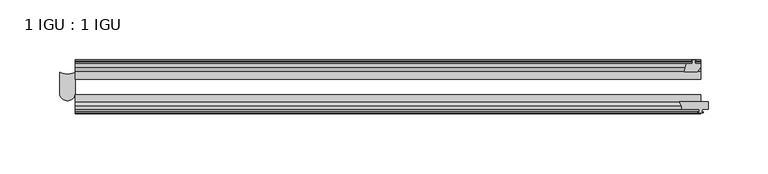
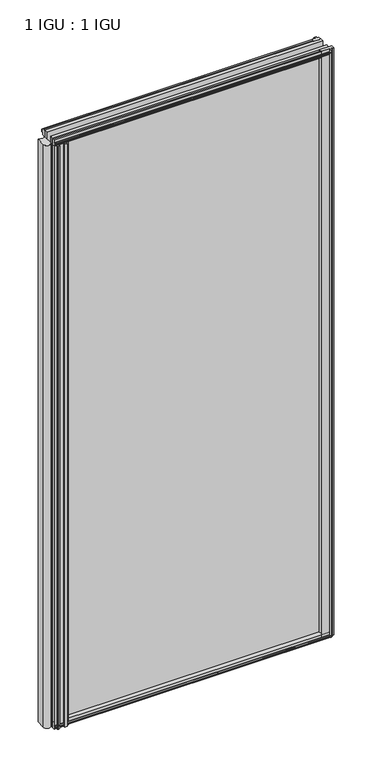
"""IFC4 building model written with IfcOpenShell, lengths in millimetres: plate geometry, 1 IGU : 1 IGU."""

import ifcopenshell
import ifcopenshell.guid

model = None  # the IFC model being written
_history = None  # IfcOwnerHistory: only IFC2X3 demands one
_inside = {}  # id of a spatial element -> (the spatial element, [elements in it])
_under = {}  # id of a project, library or spatial element -> (it, [spatial elements below it])
_declared = {}  # id of a project -> (the project, [libraries it declares])
_typed = {}  # id of a type object -> (the type object, [elements of that type])
_made_of = {}  # id of a material, layer set ... -> (it, [elements and type objects made of it])


def new_model(schema):
    """Start an empty IFC model of exactly this schema.

    Asked for "IFC4X3", IfcOpenShell would pick the latest addendum, in which some entities
    have other attributes; the version numbers below select the first issue.
    IFC2X3 requires an IfcOwnerHistory on every rooted entity: one is made here for all.
    """
    global model, _history
    if schema == "IFC4X3":
        model = ifcopenshell.file(schema_version=(4, 3, 0, 0))
    else:
        model = ifcopenshell.file(schema=schema)
    _inside.clear()
    _under.clear()
    _declared.clear()
    _typed.clear()
    _made_of.clear()
    _history = None
    if model.schema == "IFC2X3":
        org = make("IfcOrganization", Name="unknown")
        user = make(
            "IfcPersonAndOrganization",
            ThePerson=make("IfcPerson", FamilyName="unknown"),
            TheOrganization=org,
        )
        app = make(
            "IfcApplication",
            ApplicationDeveloper=org,
            Version="unknown",
            ApplicationFullName="unknown",
            ApplicationIdentifier="unknown",
        )
        _history = make(
            "IfcOwnerHistory",
            OwningUser=user,
            OwningApplication=app,
            ChangeAction="ADDED",
            CreationDate=0,
        )
    return model


def make(cls, **values):
    """One entity of the class cls with the attributes given. An attribute that is None is left unset."""
    return model.create_entity(
        cls, **{name: value for name, value in values.items() if value is not None}
    )


def rooted(cls, **values):
    """An entity with a GlobalId (a new one), such as an element, a storey or a relation."""
    return make(cls, GlobalId=ifcopenshell.guid.new(), OwnerHistory=_history, **values)


def si_unit(unit_type, name, prefix=None):
    """IfcSIUnit, for example si_unit("LENGTHUNIT", "METRE", prefix="MILLI")."""
    return make("IfcSIUnit", UnitType=unit_type, Prefix=prefix, Name=name)


def assignment(units):
    """IfcUnitAssignment: the units of a project."""
    return None if units is None else make("IfcUnitAssignment", Units=units)


def point(xyz):
    """IfcCartesianPoint."""
    return None if xyz is None else make("IfcCartesianPoint", Coordinates=xyz)


def direction(xyz):
    """IfcDirection."""
    return None if xyz is None else make("IfcDirection", DirectionRatios=xyz)


def frame(location, z_axis=None, x_axis=None):
    """IfcAxis2Placement3D, a coordinate frame: its origin and axes. An axis left out is left unset."""
    return make(
        "IfcAxis2Placement3D",
        Location=point(location),
        Axis=direction(z_axis),
        RefDirection=direction(x_axis),
    )


def frame_2d(location, x_axis=None):
    """IfcAxis2Placement2D, a coordinate frame in the plane: its origin and x axis."""
    return make(
        "IfcAxis2Placement2D", Location=point(location), RefDirection=direction(x_axis)
    )


def origin():
    """The frame at (0, 0, 0) with its axes left unset."""
    return frame((0.0, 0.0, 0.0))


def place(relative_to, where):
    """IfcLocalPlacement: puts the frame where relative to a parent placement (None: the world)."""
    return make(
        "IfcLocalPlacement", PlacementRelTo=relative_to, RelativePlacement=where
    )


def context(
    kind, dimensions, precision=None, world=None, true_north=None, identifier=None
):
    """IfcGeometricRepresentationContext, for example the 3D "Model" context."""
    return make(
        "IfcGeometricRepresentationContext",
        ContextIdentifier=identifier,
        ContextType=kind,
        CoordinateSpaceDimension=dimensions,
        Precision=precision,
        WorldCoordinateSystem=world,
        TrueNorth=true_north,
    )


def project(units=None, contexts=None):
    """IfcProject with its units and contexts."""
    return rooted(
        "IfcProject",
        Name="project",
        RepresentationContexts=contexts,
        UnitsInContext=assignment(units),
    )


def spatial(cls, under=None, at=None, **own):
    """A site, building, storey or space (cls), placed at a placement, below another one or the project."""
    s = rooted(cls, ObjectPlacement=at, **own)
    if under is not None:
        _under.setdefault(under.id(), (under, []))[1].append(s)
    return s


def polyline(points):
    """IfcPolyline through the points."""
    return make("IfcPolyline", Points=[point(p) for p in points])


def circle_curve(where, radius):
    """IfcCircle in the frame where."""
    return make("IfcCircle", Position=where, Radius=radius)


def trimmed(basis, trim1, trim2, sense, master):
    """IfcTrimmedCurve: the piece of a basis curve between two trims."""
    return make(
        "IfcTrimmedCurve",
        BasisCurve=basis,
        Trim1=trim1,
        Trim2=trim2,
        SenseAgreement=sense,
        MasterRepresentation=master,
    )


def segment(curve, same_sense, transition):
    """IfcCompositeCurveSegment."""
    return make(
        "IfcCompositeCurveSegment",
        Transition=transition,
        SameSense=same_sense,
        ParentCurve=curve,
    )


def composite_curve(segments, self_intersect=None):
    """IfcCompositeCurve: segments joined end to end."""
    return make("IfcCompositeCurve", Segments=segments, SelfIntersect=self_intersect)


def outline(outer, holes=None, kind="AREA"):
    """IfcArbitraryClosedProfileDef: a profile drawn as a closed curve; with holes, ...WithVoids."""
    if holes is None:
        return make("IfcArbitraryClosedProfileDef", ProfileType=kind, OuterCurve=outer)
    return make(
        "IfcArbitraryProfileDefWithVoids",
        ProfileType=kind,
        OuterCurve=outer,
        InnerCurves=holes,
    )


def extrude(swept, where, along, depth):
    """IfcExtrudedAreaSolid: the profile swept, set in the frame where, extruded along a direction by depth."""
    return make(
        "IfcExtrudedAreaSolid",
        SweptArea=swept,
        Position=where,
        ExtrudedDirection=direction(along),
        Depth=depth,
    )


def shape(context_of_items, identifier, shape_type, items):
    """IfcShapeRepresentation: the items that make up one representation, for example the "Body"."""
    return make(
        "IfcShapeRepresentation",
        ContextOfItems=context_of_items,
        RepresentationIdentifier=identifier,
        RepresentationType=shape_type,
        Items=items,
    )


def source(mapping_origin, context_of_items, identifier, shape_type, items):
    """IfcRepresentationMap: a shape defined once, which mapped items show again and again."""
    return make(
        "IfcRepresentationMap",
        MappingOrigin=mapping_origin,
        MappedRepresentation=shape(context_of_items, identifier, shape_type, items),
    )


def transform(
    local_origin,
    x_axis=None,
    y_axis=None,
    z_axis=None,
    scale=None,
    scale2=None,
    scale3=None,
    uniform=True,
):
    """IfcCartesianTransformationOperator3D, or its non-uniform kind. x_axis, y_axis, z_axis: its Axis1, 2, 3."""
    if uniform:
        return make(
            "IfcCartesianTransformationOperator3D",
            Axis1=direction(x_axis),
            Axis2=direction(y_axis),
            LocalOrigin=point(local_origin),
            Scale=scale,
            Axis3=direction(z_axis),
        )
    return make(
        "IfcCartesianTransformationOperator3DnonUniform",
        Axis1=direction(x_axis),
        Axis2=direction(y_axis),
        LocalOrigin=point(local_origin),
        Scale=scale,
        Axis3=direction(z_axis),
        Scale2=scale2,
        Scale3=scale3,
    )


def mapped(mapping_source, mapping_target):
    """IfcMappedItem: shows the shape of a source again, moved by a transform."""
    return make(
        "IfcMappedItem", MappingSource=mapping_source, MappingTarget=mapping_target
    )


def made_of(thing, what):
    """Note that an element or type object is made of a material, layer set ...; save() writes the relation."""
    if what is not None:
        _made_of.setdefault(what.id(), (what, []))[1].append(thing)
    return thing


def element(
    cls,
    number,
    at=None,
    inside=None,
    cuts=None,
    type_object=None,
    material=None,
    context=None,
    identifier="Body",
    shape_type=None,
    held_by="IfcProductDefinitionShape",
    body=None,
    shapes=None,
    **own,
):
    """One element of the class cls, such as IfcWall. Its Tag is "e" and its number.

    at: its placement. inside: the storey or other place that contains it. cuts: it is an
    opening in that element (IfcRelVoidsElement). A single representation is given by context,
    identifier, shape_type and body (its items); several are given by shapes. held_by: the class
    of the entity that holds the representations. save() writes the other relations.
    """
    e = rooted(cls, Tag="e%d" % number, ObjectPlacement=at, **own)
    if body is not None:
        shapes = [shape(context, identifier, shape_type, body)]
    if shapes is not None:
        e.Representation = make(held_by, Representations=shapes)
    if inside is not None:
        _inside.setdefault(inside.id(), (inside, []))[1].append(e)
    if cuts is not None:
        rooted(
            "IfcRelVoidsElement", RelatingBuildingElement=cuts, RelatedOpeningElement=e
        )
    if type_object is not None:
        _typed.setdefault(type_object.id(), (type_object, []))[1].append(e)
    return made_of(e, material)


def aggregate(whole, parts):
    """IfcRelAggregates: a whole, such as a stair, and the parts it consists of."""
    return rooted("IfcRelAggregates", RelatingObject=whole, RelatedObjects=parts)


def save(model, path):
    """Write the relations noted so far, then the file.

    IfcRelAggregates (storeys below a building ...), IfcRelContainedInSpatialStructure (elements
    in a storey), IfcRelDefinesByType, IfcRelAssociatesMaterial and IfcRelDeclares: one each for
    every whole, place, type object, material and project.
    """
    for whole, parts in _under.values():
        aggregate(whole, parts)
    for where, things in _inside.values():
        rooted(
            "IfcRelContainedInSpatialStructure",
            RelatedElements=things,
            RelatingStructure=where,
        )
    for kind, things in _typed.values():
        rooted("IfcRelDefinesByType", RelatedObjects=things, RelatingType=kind)
    for what, things in _made_of.values():
        rooted("IfcRelAssociatesMaterial", RelatedObjects=things, RelatingMaterial=what)
    for by, libraries in _declared.values():
        rooted("IfcRelDeclares", RelatingContext=by, RelatedDefinitions=libraries)
    model.write(path)


def plate_1_igu_1_igu_3a8c8001(model_context):
    return source(origin(), model_context, "Body", "SweptSolid", [
        extrude(outline(polyline([(296.9757334, -10.4746158), (299.1532625, -9.7670938), (301.3307916, -10.4746158), (301.3307916, -11.27583), (299.9152625, -10.8158968), (300.2962625, -13.1960938), (304.7412625, -13.1960938), (304.7412625, -16.1424938), (301.9069203, -19.5460938), (291.0855444, -19.5460938), (292.8032625, -13.1960938), (298.0102625, -13.1960938), (298.3912625, -10.8158968), (296.9757334, -11.27583), (296.9757334, -10.4746158)])), frame((0.0, 0.0, -12.4587), z_axis=(0.0, 0.0, 1.0), x_axis=(1.0, 0.0, 0.0)), (0.0, 0.0, 1.0), 1180.6174),
        extrude(outline(composite_curve([segment(polyline([(287.0458808, -44.9460938), (311.134125, -44.9460938), (311.134125, -51.2960938), (306.054125, -51.2960938), (305.736625, -53.4006957), (306.9552309, -53.0741712), (307.159025, -53.8347412), (304.784125, -54.4710938), (302.409225, -53.8347412), (302.6130191, -53.0741712), (303.831625, -53.4006957), (303.514125, -51.2960938), (288.909125, -51.2960938)]), True, "CONTINUOUS"), segment(trimmed(circle_curve(frame_2d((280.1334971, -50.4227155)), 8.8189814), [point((288.909125, -51.2960938))], [point((287.0458808, -44.9460938))], True, "CARTESIAN"), True, "CONTINUOUS")], self_intersect=False)), frame((0.0, 0.0, -9.0482291), z_axis=(0.0, 0.0, 1.0), x_axis=(1.0, 0.0, 0.0)), (0.0, 0.0, 1.0), 1177.2069291),
        extrude(outline(composite_curve([segment(trimmed(circle_curve(frame_2d((-224.4718282, -9.6643371)), 12.1582346), [point((-230.8319058, -20.0263871))], [point((-218.1117506, -20.0263871))], True, "CARTESIAN"), True, "CONTINUOUS"), segment(polyline([(-218.1117506, -20.0263871), (-218.1117506, -37.7227655)]), True, "CONTINUOUS"), segment(trimmed(circle_curve(frame_2d((-224.4718282, -37.7227655)), 6.3600776), [point((-218.1117506, -37.7227655))], [point((-230.8319058, -37.7227655))], False, "CARTESIAN"), True, "CONTINUOUS"), segment(polyline([(-230.8319058, -37.7227655), (-230.8319058, -20.0263871)]), True, "CONTINUOUS")], self_intersect=False)), frame((0.0, 0.0, -12.4587), z_axis=(0.0, 0.0, 1.0), x_axis=(1.0, 0.0, 0.0)), (0.0, 0.0, 1.0), 1167.9174),
        extrude(outline(composite_curve([segment(polyline([(-218.0617444, -51.2960938), (-218.0617444, -44.9460938), (-190.4467114, -44.9460938)]), True, "CONTINUOUS"), segment(trimmed(circle_curve(frame_2d((-185.2828423, -49.5178448)), 6.8968436), [point((-190.4467114, -44.9460938))], [point((-191.9464962, -51.2960938))], True, "CARTESIAN"), True, "CONTINUOUS"), segment(polyline([(-191.9464962, -51.2960938), (-195.8621444, -51.2960938)]), True, "CONTINUOUS"), segment(trimmed(circle_curve(frame_2d((-195.8621444, -51.7532937)), 0.4572), [point((-195.8621444, -51.2960938))], [point((-196.2009623, -52.0602698))], True, "CARTESIAN"), True, "CONTINUOUS"), segment(trimmed(circle_curve(frame_2d((-197.9703444, -53.663367)), 2.3876), [point((-196.2009623, -52.0602698))], [point((-195.8997014, -54.8520938))], False, "CARTESIAN"), True, "CONTINUOUS"), segment(polyline([(-195.8997014, -54.8520938), (-200.0409874, -54.8520938)]), True, "CONTINUOUS"), segment(trimmed(circle_curve(frame_2d((-197.9703444, -53.663367)), 2.3876), [point((-200.0409874, -54.8520938))], [point((-199.7397265, -52.0602698))], False, "CARTESIAN"), True, "CONTINUOUS"), segment(trimmed(circle_curve(frame_2d((-200.0785444, -51.7532937)), 0.4572), [point((-199.7397265, -52.0602698))], [point((-200.0785444, -51.2960938))], True, "CARTESIAN"), True, "CONTINUOUS"), segment(polyline([(-200.0785444, -51.2960938), (-210.4417444, -51.2960938), (-210.7592444, -53.4006957), (-209.5406385, -53.0741712), (-209.3368444, -53.8347412), (-211.7117444, -54.4710938), (-214.0866444, -53.8347412), (-213.8828503, -53.0741712), (-212.6642444, -53.4006957), (-212.9817444, -51.2960938), (-218.0617444, -51.2960938)]), True, "CONTINUOUS")], self_intersect=False)), frame((0.0, 0.0, -12.4587), z_axis=(0.0, 0.0, 1.0), x_axis=(1.0, 0.0, 0.0)), (0.0, 0.0, 1.0), 1167.9174),
        extrude(outline(polyline([(-10.4746158, -4.6931709), (-9.7670937, -6.8707), (-10.4746158, -9.0482291), (-11.27583, -9.0482291), (-10.8158968, -7.6327), (-13.1960937, -8.0137), (-13.1960937, -12.4587), (-16.1424937, -12.4587), (-19.5460937, -9.6243578), (-19.5460937, 1.1970181), (-13.1960937, -0.5207), (-13.1960937, -5.7277), (-10.8158968, -6.1087), (-11.27583, -4.6931709), (-10.4746158, -4.6931709)])), frame((-218.0669375, 0.0, 0.0), z_axis=(1.0, 0.0, 0.0), x_axis=(0.0, 1.0, 0.0)), (0.0, 0.0, 1.0), 522.8510625),
        extrude(outline(polyline([(-44.9460937, 1.7177181), (-44.9460937, -9.1036578), (-48.3496937, -11.938), (-51.2960937, -11.938), (-51.2960937, -7.493), (-53.6762907, -7.112), (-53.2163575, -8.5275291), (-54.0175717, -8.5275291), (-54.7250937, -6.35), (-54.0175717, -4.1724709), (-53.2163575, -4.1724709), (-53.6762907, -5.588), (-51.2960937, -5.207), (-51.2960937, 0.0), (-44.9460937, 1.7177181)])), frame((-218.0669375, 0.0, 0.0), z_axis=(1.0, 0.0, 0.0), x_axis=(0.0, 1.0, 0.0)), (0.0, 0.0, 1.0), 522.8510625),
        extrude(outline(polyline([(-10.8158968, 1163.3327), (-11.27583, 1164.7482291), (-10.4746158, 1164.7482291), (-9.7670937, 1162.5707), (-10.4746158, 1160.3931709), (-11.27583, 1160.3931709), (-10.8158968, 1161.8087), (-13.1960937, 1161.4277), (-13.1960937, 1156.2207), (-19.5460938, 1154.5029819), (-19.5460938, 1165.3243578), (-16.1424937, 1168.1587), (-13.1960937, 1168.1587), (-13.1960937, 1163.7137), (-10.8158968, 1163.3327)])), frame((-218.0669375, 0.0, 0.0), z_axis=(1.0, 0.0, 0.0), x_axis=(0.0, 1.0, 0.0)), (0.0, 0.0, 1.0), 522.8510625),
        extrude(outline(polyline([(-51.2960937, 1167.638), (-48.3496937, 1167.638), (-44.9460938, 1164.8036578), (-44.9460938, 1153.9822819), (-51.2960937, 1155.7), (-51.2960937, 1160.907), (-53.6762907, 1161.288), (-53.2163575, 1159.8724709), (-54.0175717, 1159.8724709), (-54.7250937, 1162.05), (-54.0175717, 1164.2275291), (-53.2163575, 1164.2275291), (-53.6762907, 1162.812), (-51.2960937, 1163.193), (-51.2960937, 1167.638)])), frame((-218.0669375, 0.0, 0.0), z_axis=(1.0, 0.0, 0.0), x_axis=(0.0, 1.0, 0.0)), (0.0, 0.0, 1.0), 522.8510625),
        extrude(outline(polyline([(-218.0669375, -38.9186738), (304.784125, -38.9186738), (304.784125, -44.9460937), (-218.0669375, -44.9460937), (-218.0669375, -38.9186738)])), frame((0.0, 0.0, -12.7), z_axis=(0.0, 0.0, 1.0), x_axis=(1.0, 0.0, 0.0)), (0.0, 0.0, 1.0), 1181.1),
        extrude(outline(polyline([(-218.0669375, -19.5460937), (304.784125, -19.5460937), (304.784125, -25.8960938), (-218.0669375, -25.8960938), (-218.0669375, -19.5460937)])), frame((0.0, 0.0, -12.7), z_axis=(0.0, 0.0, 1.0), x_axis=(1.0, 0.0, 0.0)), (0.0, 0.0, 1.0), 1181.1),
    ])


if __name__ == "__main__":
    model = new_model("IFC4")
    model_context = context("Model", 3, world=origin())
    ifc_project = project(units=[si_unit("LENGTHUNIT", "METRE", prefix="MILLI")], contexts=[model_context])
    site = spatial("IfcSite", under=ifc_project)
    building = spatial("IfcBuilding", under=site)
    placement = place(None, origin())
    plate_1_igu_1_igu_shape = plate_1_igu_1_igu_3a8c8001(model_context)
    element("IfcPlate", 1, ObjectType="1 IGU : 1 IGU", at=placement, inside=building, context=model_context, shape_type="MappedRepresentation", body=[
        mapped(plate_1_igu_1_igu_shape, transform((0.0, 0.0, 0.0), x_axis=(1.0, 0.0, 0.0), y_axis=(0.0, 1.0, 0.0), z_axis=(0.0, 0.0, 1.0))),
    ])
    save(model, "model.ifc")
